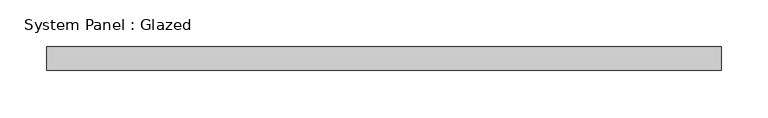
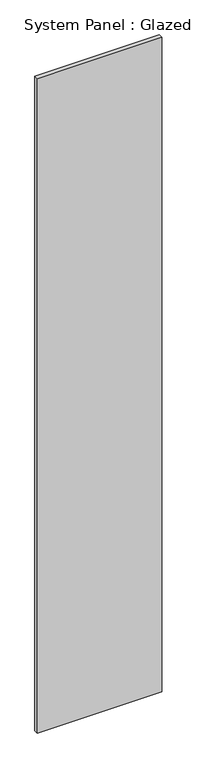
"""IFC4 building model written with IfcOpenShell, lengths in millimetres: plate geometry, System Panel : Glazed."""

from ifc_helpers import new_model, si_unit, origin, origin_with_axes, place, context, project, spatial, polyline, outline, extrude, source, transform, mapped, element, save


def system_panel_glazed_6a121ad4(model_context):
    return source(origin(), model_context, "Body", "SweptSolid", [
        extrude(outline(polyline([(359.8264082, -49.5), (-359.8264082, -49.5), (-359.8264082, -24.5), (359.8264082, -24.5), (359.8264082, -49.5)])), origin_with_axes(), (0.0, 0.0, 1.0), 4000.0),
    ])


if __name__ == "__main__":
    model = new_model("IFC4")
    model_context = context("Model", 3, world=origin())
    ifc_project = project(units=[si_unit("LENGTHUNIT", "METRE", prefix="MILLI")], contexts=[model_context])
    site = spatial("IfcSite", under=ifc_project)
    building = spatial("IfcBuilding", under=site)
    placement = place(None, origin())
    system_panel_glazed_shape = system_panel_glazed_6a121ad4(model_context)
    element("IfcPlate", 1, ObjectType="System Panel : Glazed", at=placement, inside=building, context=model_context, shape_type="MappedRepresentation", body=[
        mapped(system_panel_glazed_shape, transform((0.0, 0.0, 0.0), x_axis=(1.0, 0.0, 0.0), y_axis=(0.0, 1.0, 0.0), z_axis=(0.0, 0.0, 1.0))),
    ])
    save(model, "model.ifc")
